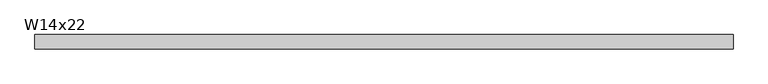
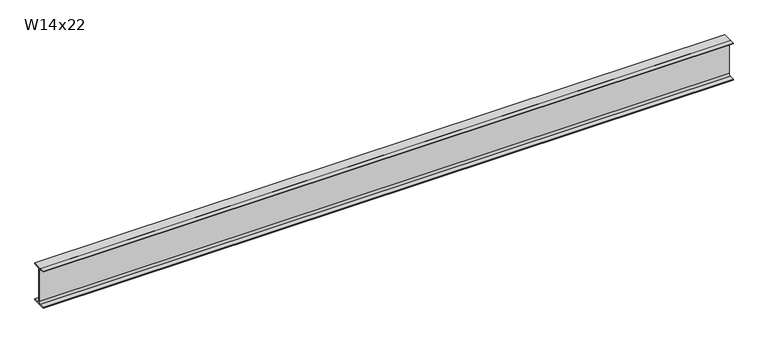
"""IFC4 building model written with IfcOpenShell, lengths in millimetres: beam geometry, W14x22."""

from ifc_helpers import new_model, si_unit, point, frame, frame_2d, origin, place, context, project, spatial, polyline, circle_curve, trimmed, segment, composite_curve, outline, extrude, source, transform, mapped, element, save


def w14x22_b52bf4d8(model_context):
    return source(origin(), model_context, "Body", "SweptSolid", [
        extrude(outline(composite_curve([segment(polyline([(63.5, -165.481), (63.5, -173.99), (-63.5, -173.99), (-63.5, -165.481), (-21.3995, -165.481)]), True, "CONTINUOUS"), segment(trimmed(circle_curve(frame_2d((-21.3995, -147.0025)), 18.4785), [point((-21.3995, -165.481))], [point((-2.921, -147.0025))], True, "CARTESIAN"), True, "CONTINUOUS"), segment(polyline([(-2.921, -147.0025), (-2.921, 147.0025)]), True, "CONTINUOUS"), segment(trimmed(circle_curve(frame_2d((-21.3995, 147.0025)), 18.4785), [point((-2.921, 147.0025))], [point((-21.3995, 165.481))], True, "CARTESIAN"), True, "CONTINUOUS"), segment(polyline([(-21.3995, 165.481), (-63.5, 165.481), (-63.5, 173.99), (63.5, 173.99), (63.5, 165.481), (21.3995, 165.481)]), True, "CONTINUOUS"), segment(trimmed(circle_curve(frame_2d((21.3995, 147.0025)), 18.4785), [point((21.3995, 165.481))], [point((2.921, 147.0025))], True, "CARTESIAN"), True, "CONTINUOUS"), segment(polyline([(2.921, 147.0025), (2.921, -147.0025)]), True, "CONTINUOUS"), segment(trimmed(circle_curve(frame_2d((21.3995, -147.0025)), 18.4785), [point((2.921, -147.0025))], [point((21.3995, -165.481))], True, "CARTESIAN"), True, "CONTINUOUS"), segment(polyline([(21.3995, -165.481), (63.5, -165.481)]), True, "CONTINUOUS")], self_intersect=False)), frame((-3108.6011485, 0.0, 0.0), z_axis=(1.0, 0.0, 0.0), x_axis=(0.0, 1.0, 0.0)), (0.0, 0.0, 1.0), 6142.3437035),
    ])


if __name__ == "__main__":
    model = new_model("IFC4")
    model_context = context("Model", 3, world=origin())
    ifc_project = project(units=[si_unit("LENGTHUNIT", "METRE", prefix="MILLI")], contexts=[model_context])
    site = spatial("IfcSite", under=ifc_project)
    building = spatial("IfcBuilding", under=site)
    placement = place(None, origin())
    w14x22_shape = w14x22_b52bf4d8(model_context)
    element("IfcBeam", 1, ObjectType="W14x22", at=placement, inside=building, context=model_context, shape_type="MappedRepresentation", body=[
        mapped(w14x22_shape, transform((0.0, 0.0, 0.0), x_axis=(1.0, 0.0, 0.0), y_axis=(0.0, 1.0, 0.0), z_axis=(0.0, 0.0, 1.0))),
    ])
    save(model, "model.ifc")
